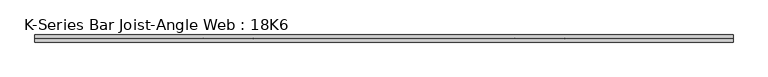
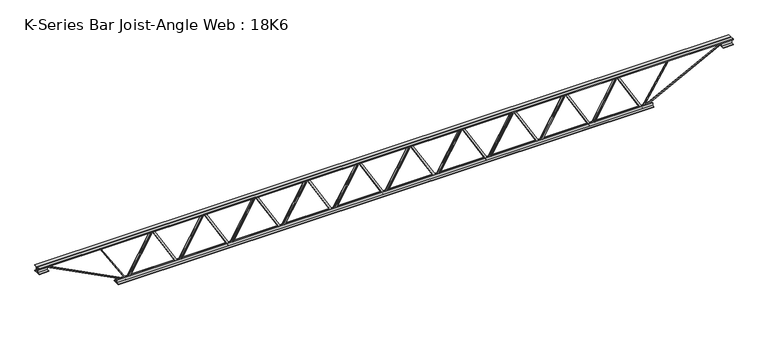
"""IFC4 building model written with IfcOpenShell, lengths in millimetres: beam geometry, K-Series Bar Joist-Angle Web : 18K6."""

from ifc_helpers import new_model, si_unit, frame, origin, place, context, project, spatial, polyline, outline, extrude, faceted_brep, source, transform, mapped, element, save


def k_series_bar_joist_angle_web_18k6_09c9312c(model_context):
    return source(origin(), model_context, "Body", "SolidModel", [
        extrude(outline(polyline([(-4.7625, 4.7625), (-4.7625, 0.0), (-17.4625, 0.0), (-17.4625, 4.7625), (-4.7625, 4.7625)])), frame((2088.657106, 0.0, -190.5), z_axis=(-0.5045418998098021, 0.0, 0.86338720823065), x_axis=(0.0, -1.0, 0.0)), (0.0, 0.0, 1.0), 441.2852036),
        extrude(outline(polyline([(-225.425, 2120.8823611), (-206.375, 2120.8823611), (-206.375, 2119.9983193), (225.425, 1867.6651943), (225.425, 1849.4992361), (206.375, 1849.4992361), (206.375, 1856.7332779), (-225.425, 2109.0664029), (-225.425, 2120.8823611)])), frame((0.0, 0.0, 0.0), z_axis=(0.0, 1.0, 0.0), x_axis=(0.0, 0.0, 1.0)), (0.0, 0.0, 1.0), 4.7625),
        faceted_brep([(1590.8161111, 0.0, -206.375), (1590.8161111, 0.0, -225.425), (1590.8161111, -4.7625, -225.425), (1590.8161111, -4.7625, -206.375), (1591.7001529, 0.0, -206.375), (1844.0332779, 0.0, 225.425), (1862.1992361, 0.0, 225.425), (1862.1992361, 0.0, 206.375), (1854.9651943, 0.0, 206.375), (1602.6320693, 0.0, -225.425), (1602.6320693, -4.7625, -225.425), (1623.0413662, -4.7625, -190.5), (1618.9294846, -4.7625, -188.0971192), (1841.5763596, -4.7625, 192.9028808), (1845.6882412, -4.7625, 190.5), (1854.9651943, -4.7625, 206.375), (1862.1992361, -4.7625, 206.375), (1862.1992361, -4.7625, 225.425), (1844.0332779, -4.7625, 225.425), (1591.7001529, -4.7625, -206.375), (1845.6882412, -17.4625, 190.5), (1623.0413662, -17.4625, -190.5), (1618.9294846, -17.4625, -188.0971192), (1841.5763596, -17.4625, 192.9028808)], [[[0, 1, 2, 3]], [[1, 0, 4, 5, 6, 7, 8, 9]], [[2, 1, 9, 10]], [[3, 2, 10, 11, 12, 13, 14, 15, 16, 17, 18, 19]], [[0, 3, 19, 4]], [[9, 8, 15, 14, 20, 21, 11, 10]], [[5, 4, 19, 18]], [[7, 6, 17, 16]], [[8, 7, 16, 15]], [[6, 5, 18, 17]], [[21, 22, 12, 11]], [[20, 14, 13, 23]], [[22, 21, 20, 23]], [[12, 22, 23, 13]]]),
        extrude(outline(polyline([(-4.7625, 4.7625), (-4.7625, 0.0), (-17.4625, 0.0), (-17.4625, 4.7625), (-4.7625, 4.7625)])), frame((1558.4144671, 0.0, -190.5), z_axis=(-0.5045418998098021, 0.0, 0.86338720823065), x_axis=(0.0, -1.0, 0.0)), (0.0, 0.0, 1.0), 441.2852036),
        extrude(outline(polyline([(-225.425, 1590.6397222), (-206.375, 1590.6397222), (-206.375, 1589.7556804), (225.425, 1337.4225554), (225.425, 1319.2565972), (206.375, 1319.2565972), (206.375, 1326.490639), (-225.425, 1578.823764), (-225.425, 1590.6397222)])), frame((0.0, 0.0, 0.0), z_axis=(0.0, 1.0, 0.0), x_axis=(0.0, 0.0, 1.0)), (0.0, 0.0, 1.0), 4.7625),
        faceted_brep([(1060.5734722, 0.0, -206.375), (1060.5734722, 0.0, -225.425), (1060.5734722, -4.7625, -225.425), (1060.5734722, -4.7625, -206.375), (1061.457514, 0.0, -206.375), (1313.790639, 0.0, 225.425), (1331.9565972, 0.0, 225.425), (1331.9565972, 0.0, 206.375), (1324.7225554, 0.0, 206.375), (1072.3894304, 0.0, -225.425), (1072.3894304, -4.7625, -225.425), (1092.7987273, -4.7625, -190.5), (1088.6868457, -4.7625, -188.0971192), (1311.3337207, -4.7625, 192.9028808), (1315.4456023, -4.7625, 190.5), (1324.7225554, -4.7625, 206.375), (1331.9565972, -4.7625, 206.375), (1331.9565972, -4.7625, 225.425), (1313.790639, -4.7625, 225.425), (1061.457514, -4.7625, -206.375), (1315.4456023, -17.4625, 190.5), (1092.7987273, -17.4625, -190.5), (1088.6868457, -17.4625, -188.0971192), (1311.3337207, -17.4625, 192.9028808)], [[[0, 1, 2, 3]], [[1, 0, 4, 5, 6, 7, 8, 9]], [[2, 1, 9, 10]], [[3, 2, 10, 11, 12, 13, 14, 15, 16, 17, 18, 19]], [[0, 3, 19, 4]], [[9, 8, 15, 14, 20, 21, 11, 10]], [[5, 4, 19, 18]], [[7, 6, 17, 16]], [[8, 7, 16, 15]], [[6, 5, 18, 17]], [[21, 22, 12, 11]], [[20, 14, 13, 23]], [[22, 21, 20, 23]], [[12, 22, 23, 13]]]),
        extrude(outline(polyline([(-4.7625, 4.7625), (-4.7625, 0.0), (-17.4625, 0.0), (-17.4625, 4.7625), (-4.7625, 4.7625)])), frame((1028.1718282, 0.0, -190.5), z_axis=(-0.5045418998098021, 0.0, 0.86338720823065), x_axis=(0.0, -1.0, 0.0)), (0.0, 0.0, 1.0), 441.2852036),
        extrude(outline(polyline([(-225.425, 1060.3970833), (-206.375, 1060.3970833), (-206.375, 1059.5130415), (225.425, 807.1799165), (225.425, 789.0139583), (206.375, 789.0139583), (206.375, 796.2480001), (-225.425, 1048.5811251), (-225.425, 1060.3970833)])), frame((0.0, 0.0, 0.0), z_axis=(0.0, 1.0, 0.0), x_axis=(0.0, 0.0, 1.0)), (0.0, 0.0, 1.0), 4.7625),
        faceted_brep([(530.3308333, 0.0, -206.375), (530.3308333, 0.0, -225.425), (530.3308333, -4.7625, -225.425), (530.3308333, -4.7625, -206.375), (531.2148751, 0.0, -206.375), (783.5480001, 0.0, 225.425), (801.7139583, 0.0, 225.425), (801.7139583, 0.0, 206.375), (794.4799165, 0.0, 206.375), (542.1467915, 0.0, -225.425), (542.1467915, -4.7625, -225.425), (562.5560884, -4.7625, -190.5), (558.4442068, -4.7625, -188.0971192), (781.0910818, -4.7625, 192.9028808), (785.2029634, -4.7625, 190.5), (794.4799165, -4.7625, 206.375), (801.7139583, -4.7625, 206.375), (801.7139583, -4.7625, 225.425), (783.5480001, -4.7625, 225.425), (531.2148751, -4.7625, -206.375), (785.2029634, -17.4625, 190.5), (562.5560884, -17.4625, -190.5), (558.4442068, -17.4625, -188.0971192), (781.0910818, -17.4625, 192.9028808)], [[[0, 1, 2, 3]], [[1, 0, 4, 5, 6, 7, 8, 9]], [[2, 1, 9, 10]], [[3, 2, 10, 11, 12, 13, 14, 15, 16, 17, 18, 19]], [[0, 3, 19, 4]], [[9, 8, 15, 14, 20, 21, 11, 10]], [[5, 4, 19, 18]], [[7, 6, 17, 16]], [[8, 7, 16, 15]], [[6, 5, 18, 17]], [[21, 22, 12, 11]], [[20, 14, 13, 23]], [[22, 21, 20, 23]], [[12, 22, 23, 13]]]),
        extrude(outline(polyline([(-4.7625, 4.7624999), (-4.7625, 0.0), (-17.4625, 0.0), (-17.4625, 4.7624999), (-4.7625, 4.7624999)])), frame((497.9291894, 0.0, -190.5), z_axis=(-0.5045418998098021, 0.0, 0.86338720823065), x_axis=(0.0, -1.0, 0.0)), (0.0, 0.0, 1.0), 441.2852036),
        extrude(outline(polyline([(-225.425, 530.1544444), (-206.375, 530.1544444), (-206.375, 529.2704027), (225.425, 276.9372777), (225.425, 258.7713194), (206.375, 258.7713194), (206.375, 266.0053612), (-225.425, 518.3384862), (-225.425, 530.1544444)])), frame((0.0, 0.0, 0.0), z_axis=(0.0, 1.0, 0.0), x_axis=(0.0, 0.0, 1.0)), (0.0, 0.0, 1.0), 4.7625),
        faceted_brep([(0.0881944, 0.0, -206.375), (0.0881944, 0.0, -225.425), (0.0881944, -4.7625, -225.425), (0.0881944, -4.7625, -206.375), (0.9722362, 0.0, -206.375), (253.3053612, 0.0, 225.425), (271.4713194, 0.0, 225.425), (271.4713194, 0.0, 206.375), (264.2372777, 0.0, 206.375), (11.9041527, 0.0, -225.425), (11.9041527, -4.7625, -225.425), (32.3134495, -4.7625, -190.5), (28.201568, -4.7625, -188.0971192), (250.848443, -4.7625, 192.9028808), (254.9603245, -4.7625, 190.5), (264.2372777, -4.7625, 206.375), (271.4713194, -4.7625, 206.375), (271.4713194, -4.7625, 225.425), (253.3053612, -4.7625, 225.425), (0.9722362, -4.7625, -206.375), (254.9603245, -17.4625, 190.5), (32.3134495, -17.4625, -190.5), (28.201568, -17.4625, -188.0971192), (250.848443, -17.4625, 192.9028808)], [[[0, 1, 2, 3]], [[1, 0, 4, 5, 6, 7, 8, 9]], [[2, 1, 9, 10]], [[3, 2, 10, 11, 12, 13, 14, 15, 16, 17, 18, 19]], [[0, 3, 19, 4]], [[9, 8, 15, 14, 20, 21, 11, 10]], [[5, 4, 19, 18]], [[7, 6, 17, 16]], [[8, 7, 16, 15]], [[6, 5, 18, 17]], [[21, 22, 12, 11]], [[20, 14, 13, 23]], [[22, 21, 20, 23]], [[12, 22, 23, 13]]]),
        extrude(outline(polyline([(-4.7625, 4.7624999), (-4.7625, 0.0), (-17.4625, 0.0), (-17.4625, 4.7624999), (-4.7625, 4.7624999)])), frame((-32.3134495, 0.0, -190.5), z_axis=(-0.5045418998098021, 0.0, 0.86338720823065), x_axis=(0.0, -1.0, 0.0)), (0.0, 0.0, 1.0), 441.2852036),
        extrude(outline(polyline([(-225.425, -0.0881944), (-206.375, -0.0881944), (-206.375, -0.9722362), (225.425, -253.3053612), (225.425, -271.4713194), (206.375, -271.4713194), (206.375, -264.2372777), (-225.425, -11.9041527), (-225.425, -0.0881944)])), frame((0.0, 0.0, 0.0), z_axis=(0.0, 1.0, 0.0), x_axis=(0.0, 0.0, 1.0)), (0.0, 0.0, 1.0), 4.7625),
        faceted_brep([(-530.1544444, 0.0, -206.375), (-530.1544444, 0.0, -225.425), (-530.1544444, -4.7625, -225.425), (-530.1544444, -4.7625, -206.375), (-529.2704027, 0.0, -206.375), (-276.9372777, 0.0, 225.425), (-258.7713194, 0.0, 225.425), (-258.7713194, 0.0, 206.375), (-266.0053612, 0.0, 206.375), (-518.3384862, 0.0, -225.425), (-518.3384862, -4.7625, -225.425), (-497.9291894, -4.7625, -190.5), (-502.0410709, -4.7625, -188.0971192), (-279.3941959, -4.7625, 192.9028808), (-275.2823144, -4.7625, 190.5), (-266.0053612, -4.7625, 206.375), (-258.7713194, -4.7625, 206.375), (-258.7713194, -4.7625, 225.425), (-276.9372777, -4.7625, 225.425), (-529.2704027, -4.7625, -206.375), (-275.2823144, -17.4625, 190.5), (-497.9291894, -17.4625, -190.5), (-502.0410709, -17.4625, -188.0971192), (-279.3941959, -17.4625, 192.9028808)], [[[0, 1, 2, 3]], [[1, 0, 4, 5, 6, 7, 8, 9]], [[2, 1, 9, 10]], [[3, 2, 10, 11, 12, 13, 14, 15, 16, 17, 18, 19]], [[0, 3, 19, 4]], [[9, 8, 15, 14, 20, 21, 11, 10]], [[5, 4, 19, 18]], [[7, 6, 17, 16]], [[8, 7, 16, 15]], [[6, 5, 18, 17]], [[21, 22, 12, 11]], [[20, 14, 13, 23]], [[22, 21, 20, 23]], [[12, 22, 23, 13]]]),
        extrude(outline(polyline([(-4.7625, 4.7625), (-4.7625, 0.0), (-17.4625, 0.0), (-17.4625, 4.7625), (-4.7625, 4.7625)])), frame((-562.5560884, 0.0, -190.5), z_axis=(-0.5045418998098021, 0.0, 0.86338720823065), x_axis=(0.0, -1.0, 0.0)), (0.0, 0.0, 1.0), 441.2852036),
        extrude(outline(polyline([(-225.425, -530.3308333), (-206.375, -530.3308333), (-206.375, -531.2148751), (225.425, -783.5480001), (225.425, -801.7139583), (206.375, -801.7139583), (206.375, -794.4799165), (-225.425, -542.1467915), (-225.425, -530.3308333)])), frame((0.0, 0.0, 0.0), z_axis=(0.0, 1.0, 0.0), x_axis=(0.0, 0.0, 1.0)), (0.0, 0.0, 1.0), 4.7625),
        faceted_brep([(-1060.3970833, 0.0, -206.375), (-1060.3970833, 0.0, -225.425), (-1060.3970833, -4.7625, -225.425), (-1060.3970833, -4.7625, -206.375), (-1059.5130415, 0.0, -206.375), (-807.1799165, 0.0, 225.425), (-789.0139583, 0.0, 225.425), (-789.0139583, 0.0, 206.375), (-796.2480001, 0.0, 206.375), (-1048.5811251, 0.0, -225.425), (-1048.5811251, -4.7625, -225.425), (-1028.1718282, -4.7625, -190.5), (-1032.2837098, -4.7625, -188.0971192), (-809.6368348, -4.7625, 192.9028808), (-805.5249532, -4.7625, 190.5), (-796.2480001, -4.7625, 206.375), (-789.0139583, -4.7625, 206.375), (-789.0139583, -4.7625, 225.425), (-807.1799165, -4.7625, 225.425), (-1059.5130415, -4.7625, -206.375), (-805.5249532, -17.4625, 190.5), (-1028.1718282, -17.4625, -190.5), (-1032.2837098, -17.4625, -188.0971192), (-809.6368348, -17.4625, 192.9028808)], [[[0, 1, 2, 3]], [[1, 0, 4, 5, 6, 7, 8, 9]], [[2, 1, 9, 10]], [[3, 2, 10, 11, 12, 13, 14, 15, 16, 17, 18, 19]], [[0, 3, 19, 4]], [[9, 8, 15, 14, 20, 21, 11, 10]], [[5, 4, 19, 18]], [[7, 6, 17, 16]], [[8, 7, 16, 15]], [[6, 5, 18, 17]], [[21, 22, 12, 11]], [[20, 14, 13, 23]], [[22, 21, 20, 23]], [[12, 22, 23, 13]]]),
        extrude(outline(polyline([(-4.7625, 4.7625), (-4.7625, 0.0), (-17.4625, 0.0), (-17.4625, 4.7625), (-4.7625, 4.7625)])), frame((-1092.7987273, 0.0, -190.5), z_axis=(-0.5045418998098021, 0.0, 0.86338720823065), x_axis=(0.0, -1.0, 0.0)), (0.0, 0.0, 1.0), 441.2852036),
        extrude(outline(polyline([(-225.425, -1060.5734722), (-206.375, -1060.5734722), (-206.375, -1061.457514), (225.425, -1313.790639), (225.425, -1331.9565972), (206.375, -1331.9565972), (206.375, -1324.7225554), (-225.425, -1072.3894304), (-225.425, -1060.5734722)])), frame((0.0, 0.0, 0.0), z_axis=(0.0, 1.0, 0.0), x_axis=(0.0, 0.0, 1.0)), (0.0, 0.0, 1.0), 4.7625),
        faceted_brep([(-1590.6397222, 0.0, -206.375), (-1590.6397222, 0.0, -225.425), (-1590.6397222, -4.7625, -225.425), (-1590.6397222, -4.7625, -206.375), (-1589.7556804, 0.0, -206.375), (-1337.4225554, 0.0, 225.425), (-1319.2565972, 0.0, 225.425), (-1319.2565972, 0.0, 206.375), (-1326.490639, 0.0, 206.375), (-1578.823764, 0.0, -225.425), (-1578.823764, -4.7625, -225.425), (-1558.4144671, -4.7625, -190.5), (-1562.5263487, -4.7625, -188.0971192), (-1339.8794737, -4.7625, 192.9028808), (-1335.7675921, -4.7625, 190.5), (-1326.490639, -4.7625, 206.375), (-1319.2565972, -4.7625, 206.375), (-1319.2565972, -4.7625, 225.425), (-1337.4225554, -4.7625, 225.425), (-1589.7556804, -4.7625, -206.375), (-1335.7675921, -17.4625, 190.5), (-1558.4144671, -17.4625, -190.5), (-1562.5263487, -17.4625, -188.0971192), (-1339.8794737, -17.4625, 192.9028808)], [[[0, 1, 2, 3]], [[1, 0, 4, 5, 6, 7, 8, 9]], [[2, 1, 9, 10]], [[3, 2, 10, 11, 12, 13, 14, 15, 16, 17, 18, 19]], [[0, 3, 19, 4]], [[9, 8, 15, 14, 20, 21, 11, 10]], [[5, 4, 19, 18]], [[7, 6, 17, 16]], [[8, 7, 16, 15]], [[6, 5, 18, 17]], [[21, 22, 12, 11]], [[20, 14, 13, 23]], [[22, 21, 20, 23]], [[12, 22, 23, 13]]]),
        extrude(outline(polyline([(-4.7625, 4.7625), (-4.7625, 0.0), (-17.4625, 0.0), (-17.4625, 4.7625), (-4.7625, 4.7625)])), frame((-1623.0413662, 0.0, -190.5), z_axis=(-0.5045418998098021, 0.0, 0.86338720823065), x_axis=(0.0, -1.0, 0.0)), (0.0, 0.0, 1.0), 441.2852036),
        extrude(outline(polyline([(-225.425, -1590.8161111), (-206.375, -1590.8161111), (-206.375, -1591.7001529), (225.425, -1844.0332779), (225.425, -1862.1992361), (206.375, -1862.1992361), (206.375, -1854.9651943), (-225.425, -1602.6320693), (-225.425, -1590.8161111)])), frame((0.0, 0.0, 0.0), z_axis=(0.0, 1.0, 0.0), x_axis=(0.0, 0.0, 1.0)), (0.0, 0.0, 1.0), 4.7625),
        faceted_brep([(-2120.8823611, 0.0, -206.375), (-2120.8823611, 0.0, -225.425), (-2120.8823611, -4.7625, -225.425), (-2120.8823611, -4.7625, -206.375), (-2119.9983193, 0.0, -206.375), (-1867.6651943, 0.0, 225.425), (-1849.4992361, 0.0, 225.425), (-1849.4992361, 0.0, 206.375), (-1856.7332779, 0.0, 206.375), (-2109.0664029, 0.0, -225.425), (-2109.0664029, -4.7625, -225.425), (-2088.657106, -4.7625, -190.5), (-2092.7689876, -4.7625, -188.0971192), (-1870.1221126, -4.7625, 192.9028808), (-1866.010231, -4.7625, 190.5), (-1856.7332779, -4.7625, 206.375), (-1849.4992361, -4.7625, 206.375), (-1849.4992361, -4.7625, 225.425), (-1867.6651943, -4.7625, 225.425), (-2119.9983193, -4.7625, -206.375), (-1866.010231, -17.4625, 190.5), (-2088.657106, -17.4625, -190.5), (-2092.7689876, -17.4625, -188.0971192), (-1870.1221126, -17.4625, 192.9028808)], [[[0, 1, 2, 3]], [[1, 0, 4, 5, 6, 7, 8, 9]], [[2, 1, 9, 10]], [[3, 2, 10, 11, 12, 13, 14, 15, 16, 17, 18, 19]], [[0, 3, 19, 4]], [[9, 8, 15, 14, 20, 21, 11, 10]], [[5, 4, 19, 18]], [[7, 6, 17, 16]], [[8, 7, 16, 15]], [[6, 5, 18, 17]], [[21, 22, 12, 11]], [[20, 14, 13, 23]], [[22, 21, 20, 23]], [[12, 22, 23, 13]]]),
        extrude(outline(polyline([(-4.7625, 4.7625), (-4.7625, 0.0), (-17.4625, 0.0), (-17.4625, 4.7625), (-4.7625, 4.7625)])), frame((2618.8997449, 0.0, -190.5), z_axis=(-0.5045418998098021, 0.0, 0.86338720823065), x_axis=(0.0, -1.0, 0.0)), (0.0, 0.0, 1.0), 441.2852036),
        extrude(outline(polyline([(-225.425, 2651.125), (-206.375, 2651.125), (-206.375, 2650.2409582), (225.425, 2397.9078332), (225.425, 2379.741875), (206.375, 2379.741875), (206.375, 2386.9759168), (-225.425, 2639.3090418), (-225.425, 2651.125)])), frame((0.0, 0.0, 0.0), z_axis=(0.0, 1.0, 0.0), x_axis=(0.0, 0.0, 1.0)), (0.0, 0.0, 1.0), 4.7625),
        faceted_brep([(2121.05875, 0.0, -206.375), (2121.05875, 0.0, -225.425), (2121.05875, -4.7625, -225.425), (2121.05875, -4.7625, -206.375), (2121.9427918, 0.0, -206.375), (2374.2759168, 0.0, 225.425), (2392.441875, 0.0, 225.425), (2392.441875, 0.0, 206.375), (2385.2078332, 0.0, 206.375), (2132.8747082, 0.0, -225.425), (2132.8747082, -4.7625, -225.425), (2153.2840051, -4.7625, -190.5), (2149.1721235, -4.7625, -188.0971192), (2371.8189985, -4.7625, 192.9028808), (2375.9308801, -4.7625, 190.5), (2385.2078332, -4.7625, 206.375), (2392.441875, -4.7625, 206.375), (2392.441875, -4.7625, 225.425), (2374.2759168, -4.7625, 225.425), (2121.9427918, -4.7625, -206.375), (2375.9308801, -17.4625, 190.5), (2153.2840051, -17.4625, -190.5), (2149.1721235, -17.4625, -188.0971192), (2371.8189985, -17.4625, 192.9028808)], [[[0, 1, 2, 3]], [[1, 0, 4, 5, 6, 7, 8, 9]], [[2, 1, 9, 10]], [[3, 2, 10, 11, 12, 13, 14, 15, 16, 17, 18, 19]], [[0, 3, 19, 4]], [[9, 8, 15, 14, 20, 21, 11, 10]], [[5, 4, 19, 18]], [[7, 6, 17, 16]], [[8, 7, 16, 15]], [[6, 5, 18, 17]], [[21, 22, 12, 11]], [[20, 14, 13, 23]], [[22, 21, 20, 23]], [[12, 22, 23, 13]]]),
        extrude(outline(polyline([(-4.7625, 4.7625), (-4.7625, 0.0), (-17.4625, 0.0), (-17.4625, 4.7625), (-4.7625, 4.7625)])), frame((-2153.2840051, 0.0, -190.5), z_axis=(-0.5045418998098021, 0.0, 0.86338720823065), x_axis=(0.0, -1.0, 0.0)), (0.0, 0.0, 1.0), 441.2852036),
        extrude(outline(polyline([(-225.425, -2121.05875), (-206.375, -2121.05875), (-206.375, -2121.9427918), (225.425, -2374.2759168), (225.425, -2392.441875), (206.375, -2392.441875), (206.375, -2385.2078332), (-225.425, -2132.8747082), (-225.425, -2121.05875)])), frame((0.0, 0.0, 0.0), z_axis=(0.0, 1.0, 0.0), x_axis=(0.0, 0.0, 1.0)), (0.0, 0.0, 1.0), 4.7625),
        faceted_brep([(-2651.125, 0.0, -206.375), (-2651.125, 0.0, -225.425), (-2651.125, -4.7625, -225.425), (-2651.125, -4.7625, -206.375), (-2650.2409582, 0.0, -206.375), (-2397.9078332, 0.0, 225.425), (-2379.741875, 0.0, 225.425), (-2379.741875, 0.0, 206.375), (-2386.9759168, 0.0, 206.375), (-2639.3090418, 0.0, -225.425), (-2639.3090418, -4.7625, -225.425), (-2618.8997449, -4.7625, -190.5), (-2623.0116265, -4.7625, -188.0971192), (-2400.3647515, -4.7625, 192.9028808), (-2396.2528699, -4.7625, 190.5), (-2386.9759168, -4.7625, 206.375), (-2379.741875, -4.7625, 206.375), (-2379.741875, -4.7625, 225.425), (-2397.9078332, -4.7625, 225.425), (-2650.2409582, -4.7625, -206.375), (-2396.2528699, -17.4625, 190.5), (-2618.8997449, -17.4625, -190.5), (-2623.0116265, -17.4625, -188.0971192), (-2400.3647515, -17.4625, 192.9028808)], [[[0, 1, 2, 3]], [[1, 0, 4, 5, 6, 7, 8, 9]], [[2, 1, 9, 10]], [[3, 2, 10, 11, 12, 13, 14, 15, 16, 17, 18, 19]], [[0, 3, 19, 4]], [[9, 8, 15, 14, 20, 21, 11, 10]], [[5, 4, 19, 18]], [[7, 6, 17, 16]], [[8, 7, 16, 15]], [[6, 5, 18, 17]], [[21, 22, 12, 11]], [[20, 14, 13, 23]], [[22, 21, 20, 23]], [[12, 22, 23, 13]]]),
        extrude(outline(polyline([(4.7625, 228.6), (36.5125, 228.6), (36.5125, 222.25), (11.1125, 222.25), (11.1125, 196.85), (4.7625, 196.85), (4.7625, 228.6)])), frame((-3565.525, 0.0, 0.0), z_axis=(1.0, 0.0, 0.0), x_axis=(0.0, 1.0, 0.0)), (0.0, 0.0, 1.0), 7131.05),
        extrude(outline(polyline([(-4.7625, 228.6), (-4.7625, 196.85), (-11.1125, 196.85), (-11.1125, 222.25), (-36.5125, 222.25), (-36.5125, 228.6), (-4.7625, 228.6)])), frame((-3565.525, 0.0, 0.0), z_axis=(1.0, 0.0, 0.0), x_axis=(0.0, 1.0, 0.0)), (0.0, 0.0, 1.0), 7131.05),
        extrude(outline(polyline([(-4.7625, 165.1), (-36.5125, 165.1), (-36.5125, 171.45), (-11.1125, 171.45), (-11.1125, 196.85), (-4.7625, 196.85), (-4.7625, 165.1)])), frame((-3565.525, 0.0, 0.0), z_axis=(1.0, 0.0, 0.0), x_axis=(0.0, 1.0, 0.0)), (0.0, 0.0, 1.0), 101.6),
        extrude(outline(polyline([(36.5125, 165.1), (4.7625, 165.1), (4.7625, 196.85), (11.1125, 196.85), (11.1125, 171.45), (36.5125, 171.45), (36.5125, 165.1)])), frame((-3565.525, 0.0, 0.0), z_axis=(1.0, 0.0, 0.0), x_axis=(0.0, 1.0, 0.0)), (0.0, 0.0, 1.0), 101.6),
        extrude(outline(polyline([(4.7625, 165.1), (4.7625, 196.85), (11.1125, 196.85), (11.1125, 171.45), (36.5125, 171.45), (36.5125, 165.1), (4.7625, 165.1)])), frame((3463.925, 0.0, 0.0), z_axis=(1.0, 0.0, 0.0), x_axis=(0.0, 1.0, 0.0)), (0.0, 0.0, 1.0), 101.6),
        extrude(outline(polyline([(-4.7625, 165.1), (-36.5125, 165.1), (-36.5125, 171.45), (-11.1125, 171.45), (-11.1125, 196.85), (-4.7625, 196.85), (-4.7625, 165.1)])), frame((3463.925, 0.0, 0.0), z_axis=(1.0, 0.0, 0.0), x_axis=(0.0, 1.0, 0.0)), (0.0, 0.0, 1.0), 101.6),
        extrude(outline(polyline([(4.7625, -228.6), (4.7625, -196.85), (11.1125, -196.85), (11.1125, -222.25), (36.5125, -222.25), (36.5125, -228.6), (4.7625, -228.6)])), frame((-2752.725, 0.0, 0.0), z_axis=(1.0, 0.0, 0.0), x_axis=(0.0, 1.0, 0.0)), (0.0, 0.0, 1.0), 5505.45),
        extrude(outline(polyline([(-4.7625, -228.6), (-36.5125, -228.6), (-36.5125, -222.25), (-11.1125, -222.25), (-11.1125, -196.85), (-4.7625, -196.85), (-4.7625, -228.6)])), frame((-2752.725, 0.0, 0.0), z_axis=(1.0, 0.0, 0.0), x_axis=(0.0, 1.0, 0.0)), (0.0, 0.0, 1.0), 5505.45),
        extrude(outline(polyline([(4.7625, 4.7625), (4.7625, -4.7625), (-4.7625, -4.7625), (-4.7625, 4.7625), (4.7625, 4.7625)])), frame((2651.125, 0.0, -222.25), z_axis=(0.5344807261786341, 0.0, 0.8451806631386926), x_axis=(0.0, -1.0, 0.0)), (0.0, 0.0, 1.0), 495.870313),
        extrude(outline(polyline([(4.7625, 4.7625), (4.7625, -4.7625), (-4.7625, -4.7625), (-4.7625, 4.7625), (4.7625, 4.7625)])), frame((-2651.125, 0.0, -222.25), z_axis=(-0.5344807261786089, 0.0, 0.8451806631387084), x_axis=(0.0, -1.0, 0.0)), (0.0, 0.0, 1.0), 495.870313),
        extrude(outline(polyline([(0.0, -9.525), (0.0, 0.0), (914.4881902, 0.0), (914.4881902, -9.525), (0.0, -9.525)])), frame((3466.107602, -4.7625, 192.6170749), z_axis=(-0.45828913319462083, 0.0, 0.8888031674086919), x_axis=(-0.8888031674086919, 0.0, -0.45828913319462083)), (0.0, 0.0, 1.0), 9.525),
        extrude(outline(polyline([(0.0, -9.525), (0.0, 0.0), (914.4881902, 0.0), (914.4881902, -9.525), (0.0, -9.525)])), frame((-3466.107602, 4.7625, 192.6170749), z_axis=(0.4582891331946198, 0.0, 0.8888031674086924), x_axis=(0.8888031674086924, 0.0, -0.4582891331946198)), (0.0, 0.0, 1.0), 9.525),
    ])


if __name__ == "__main__":
    model = new_model("IFC4")
    model_context = context("Model", 3, world=origin())
    ifc_project = project(units=[si_unit("LENGTHUNIT", "METRE", prefix="MILLI")], contexts=[model_context])
    site = spatial("IfcSite", under=ifc_project)
    building = spatial("IfcBuilding", under=site)
    placement = place(None, origin())
    k_series_bar_joist_angle_web_18k6_shape = k_series_bar_joist_angle_web_18k6_09c9312c(model_context)
    element("IfcBeam", 1, ObjectType="K-Series Bar Joist-Angle Web : 18K6", at=placement, inside=building, context=model_context, shape_type="MappedRepresentation", body=[
        mapped(k_series_bar_joist_angle_web_18k6_shape, transform((0.0, 0.0, 0.0), x_axis=(1.0, 0.0, 0.0), y_axis=(0.0, 1.0, 0.0), z_axis=(0.0, 0.0, 1.0))),
    ])
    save(model, "model.ifc")
